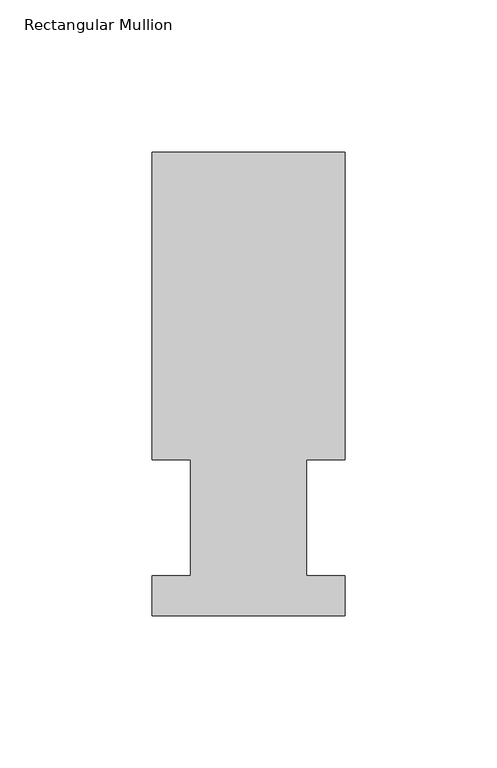
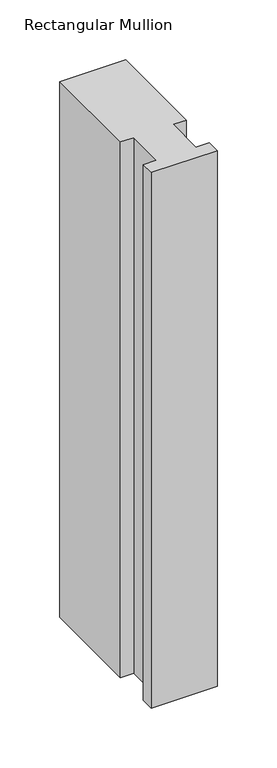
"""IFC4 building model written with IfcOpenShell, lengths in millimetres: member geometry, Rectangular Mullion."""

from ifc_helpers import new_model, si_unit, frame, origin, place, context, project, spatial, polyline, outline, extrude, source, transform, mapped, element, save


def rectangular_mullion_b67e4090(model_context):
    return source(origin(), model_context, "Body", "SweptSolid", [
        extrude(outline(polyline([(-63.5, 152.4896937), (0.0127, 152.4896937), (0.0127, 51.2960937), (-12.6873, 51.2960938), (-12.6873, 13.1960937), (0.0, 13.1960937), (0.0, 0.0134937), (-63.5, 0.0134937), (-63.5, 13.1960937), (-50.8000001, 13.1960937), (-50.8000001, 51.2960937), (-63.5, 51.2960937), (-63.5, 152.4896937)])), frame((0.0, 0.0, -546.1000003), z_axis=(0.0, 0.0, 1.0), x_axis=(1.0, 0.0, 0.0)), (0.0, 0.0, 1.0), 546.1000003),
    ])


if __name__ == "__main__":
    model = new_model("IFC4")
    model_context = context("Model", 3, world=origin())
    ifc_project = project(units=[si_unit("LENGTHUNIT", "METRE", prefix="MILLI")], contexts=[model_context])
    site = spatial("IfcSite", under=ifc_project)
    building = spatial("IfcBuilding", under=site)
    placement = place(None, origin())
    rectangular_mullion_shape = rectangular_mullion_b67e4090(model_context)
    element("IfcMember", 1, ObjectType="Rectangular Mullion", at=placement, inside=building, context=model_context, shape_type="MappedRepresentation", body=[
        mapped(rectangular_mullion_shape, transform((0.0, 0.0, 0.0), x_axis=(1.0, 0.0, 0.0), y_axis=(0.0, 1.0, 0.0), z_axis=(0.0, 0.0, 1.0))),
    ])
    save(model, "model.ifc")
